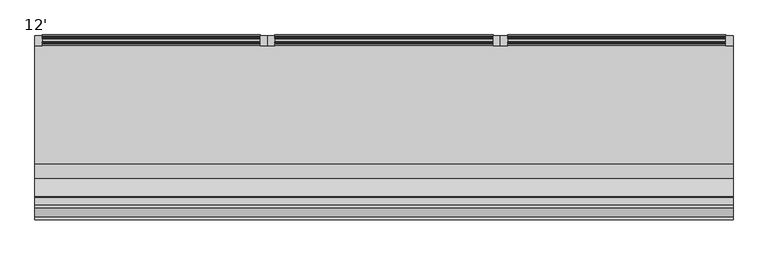
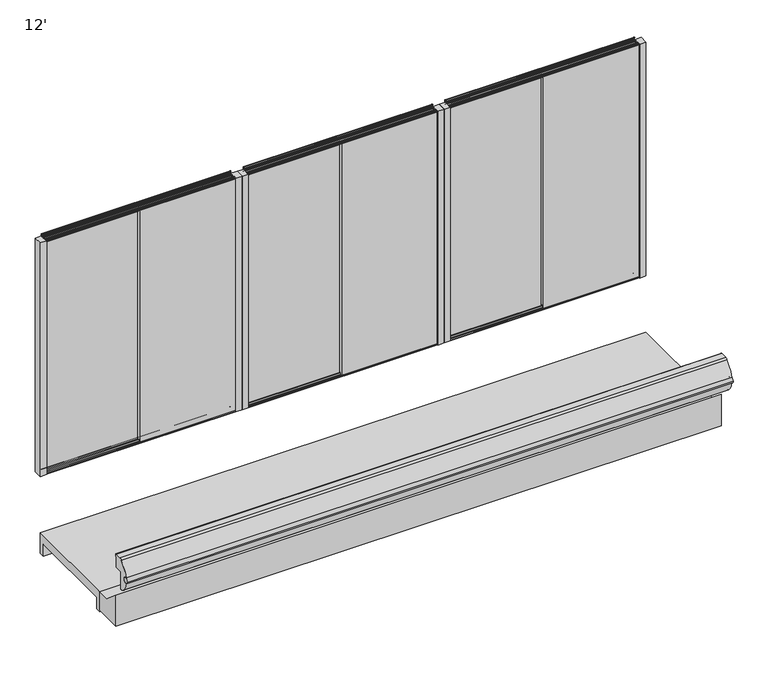
"""IFC4 building model written with IfcOpenShell, lengths in millimetres: proxy geometry, 12'."""

from ifc_helpers import new_model, si_unit, point, frame, frame_2d, origin, place, context, project, spatial, polyline, circle_curve, trimmed, segment, composite_curve, outline, extrude, source, transform, mapped, element, save
from ifc_brep_helpers import plane_surface, revolved_surface, advanced_brep


def proxy_12_fdd9635c(model_context):
    return source(origin(), model_context, "Body", "SolidModel", [
        extrude(outline(polyline([(3619.5, -452.3089273), (3619.5, -401.5089273), (3657.6, -401.5089273), (3657.6, -452.3089273), (3619.5, -452.3089273)])), frame((0.0, 0.0, 488.6213949), z_axis=(0.0, 0.0, 1.0), x_axis=(1.0, 0.0, 0.0)), (0.0, 0.0, 1.0), 1492.2653088),
        extrude(outline(polyline([(-447.3493012, 1974.5213949), (-440.846492, 1974.5213949), (-440.846492, 1961.8213949), (-430.661092, 1961.8213949), (-430.661092, 1974.5213949), (-424.2475921, 1974.5213949), (-424.2475927, 494.9713949), (-430.7504012, 494.9713949), (-430.7504012, 507.6713949), (-440.9358012, 507.6713949), (-440.9358012, 494.9713949), (-447.3493012, 494.9713949), (-447.3493012, 1974.5213949)])), frame((3041.5679589, 0.0, 0.0), z_axis=(1.0, 0.0, 0.0), x_axis=(0.0, 1.0, 0.0)), (0.0, 0.0, 1.0), 577.9320411),
        extrude(outline(composite_curve([segment(polyline([(-431.4353836, 491.7963949), (-431.4353836, 488.6213949), (-432.7565957, 488.6213949), (-433.7975836, 488.6213949), (-433.7975836, 491.7963949), (-436.9725836, 491.7963949), (-436.9725836, 488.6213949), (-438.1770567, 488.6213949), (-439.3347836, 488.6213949), (-439.3347836, 491.7963949), (-444.8973836, 491.7963949), (-444.8973836, 488.6213949), (-450.7393836, 488.6213949), (-450.7393836, 491.7963949)]), True, "CONTINUOUS"), segment(trimmed(circle_curve(frame_2d((-447.5643836, 491.7963949)), 3.175), [point((-450.7393836, 491.7963949))], [point((-447.5643836, 494.9713949))], False, "CARTESIAN"), True, "CONTINUOUS"), segment(polyline([(-447.5643836, 494.9713949), (-440.7571836, 494.9713949)]), True, "CONTINUOUS"), segment(trimmed(circle_curve(frame_2d((-440.7571836, 496.4953949)), 1.524), [point((-440.7571836, 494.9713949))], [point((-439.2331836, 496.4953949))], True, "CARTESIAN"), True, "CONTINUOUS"), segment(polyline([(-439.2331836, 496.4953949), (-439.2331836, 505.2901449), (-432.0957836, 505.2901449), (-432.0957836, 496.4953949)]), True, "CONTINUOUS"), segment(trimmed(circle_curve(frame_2d((-430.5717836, 496.4953949)), 1.524), [point((-432.0957836, 496.4953949))], [point((-430.5717836, 494.9713949))], True, "CARTESIAN"), True, "CONTINUOUS"), segment(polyline([(-430.5717836, 494.9713949), (-417.7447836, 494.9713949)]), True, "CONTINUOUS"), segment(trimmed(circle_curve(frame_2d((-417.7447836, 496.4953949)), 1.524), [point((-417.7447836, 494.9713949))], [point((-416.2207836, 496.4953949))], True, "CARTESIAN"), True, "CONTINUOUS"), segment(polyline([(-416.2207836, 496.4953949), (-416.2207836, 505.2901449), (-409.0849505, 505.2901449), (-409.0849505, 496.4934363)]), True, "CONTINUOUS"), segment(trimmed(circle_curve(frame_2d((-407.5586001, 496.4934363)), 1.5263503), [point((-409.0849505, 496.4934363))], [point((-407.5586001, 494.967086))], True, "CARTESIAN"), True, "CONTINUOUS"), segment(polyline([(-407.5586001, 494.967086), (-400.7184596, 494.967086)]), True, "CONTINUOUS"), segment(trimmed(circle_curve(frame_2d((-400.7184596, 496.5503079)), 1.5832219), [point((-400.7184596, 494.967086))], [point((-399.1352377, 496.5503079))], True, "CARTESIAN"), True, "CONTINUOUS"), segment(polyline([(-399.1352377, 496.5503079), (-399.1352377, 503.2684209)]), True, "CONTINUOUS"), segment(trimmed(circle_curve(frame_2d((-397.5699953, 502.9723942)), 1.5929896), [point((-399.1352377, 503.2684209))], [point((-395.9770057, 502.9723942))], False, "CARTESIAN"), True, "CONTINUOUS"), segment(polyline([(-395.9770057, 502.9723942), (-395.9770057, 479.0963918)]), True, "CONTINUOUS"), segment(trimmed(circle_curve(frame_2d((-399.2302304, 479.0963918)), 3.2532247), [point((-395.9770057, 479.0963918))], [point((-399.9393876, 475.921401))], False, "CARTESIAN"), True, "CONTINUOUS"), segment(polyline([(-399.9393876, 475.921401), (-399.4821836, 478.2835949)]), True, "CONTINUOUS"), segment(trimmed(circle_curve(frame_2d((-399.4383207, 479.382732)), 1.100012), [point((-399.4821836, 478.2835949))], [point((-398.3391836, 479.4265949))], True, "CARTESIAN"), True, "CONTINUOUS"), segment(polyline([(-398.3391836, 479.4265949), (-398.3391836, 487.0465949)]), True, "CONTINUOUS"), segment(trimmed(circle_curve(frame_2d((-399.9139836, 487.0465949)), 1.5748), [point((-398.3391836, 487.0465949))], [point((-399.9139836, 488.6213949))], True, "CARTESIAN"), True, "CONTINUOUS"), segment(polyline([(-399.9139836, 488.6213949), (-404.6129836, 488.6213949), (-408.8801836, 491.7963949), (-408.8801836, 488.6213949), (-411.2423836, 488.6213949), (-411.2423836, 491.7963949), (-414.4173836, 491.7963949), (-414.4173836, 488.6213949), (-416.7795836, 488.6213949), (-416.7795836, 491.7963949), (-431.4353836, 491.7963949)]), True, "CONTINUOUS")], self_intersect=False)), frame((2476.5, 0.0, 0.0), z_axis=(1.0, 0.0, 0.0), x_axis=(0.0, 1.0, 0.0)), (0.0, 0.0, 1.0), 1143.0),
        extrude(outline(polyline([(-424.2475927, 1974.5213949), (-417.7447836, 1974.5213949), (-417.7447836, 1961.8213949), (-407.5593836, 1961.8213949), (-407.5593836, 1974.5213949), (-401.1458837, 1974.5213949), (-401.1458843, 494.9713949), (-407.6486927, 494.9713949), (-407.6486927, 507.6713949), (-417.8340927, 507.6713949), (-417.8340927, 494.9713949), (-424.2475927, 494.9713949), (-424.2475927, 1974.5213949)])), frame((2476.5, 0.0, 0.0), z_axis=(1.0, 0.0, 0.0), x_axis=(0.0, 1.0, 0.0)), (0.0, 0.0, 1.0), 577.377105),
        extrude(outline(composite_curve([segment(polyline([(-431.4353836, 1977.7117037), (-416.7795836, 1977.7117037), (-416.7795836, 1980.8867037), (-414.4173836, 1980.8867037), (-414.4173836, 1977.7117037), (-411.2423836, 1977.7117037), (-411.2423836, 1980.8867037), (-408.8801836, 1980.8867037), (-408.8801836, 1977.7117037), (-404.6129836, 1980.8867037), (-399.9139836, 1980.8867037)]), True, "CONTINUOUS"), segment(trimmed(circle_curve(frame_2d((-399.9139836, 1982.4615037)), 1.5748), [point((-399.9139836, 1980.8867037))], [point((-398.3391836, 1982.4615037))], True, "CARTESIAN"), True, "CONTINUOUS"), segment(polyline([(-398.3391836, 1982.4615037), (-398.3391836, 1990.0815037)]), True, "CONTINUOUS"), segment(trimmed(circle_curve(frame_2d((-399.4383207, 1990.1253666)), 1.100012), [point((-398.3391836, 1990.0815037))], [point((-399.4821836, 1991.2245037))], True, "CARTESIAN"), True, "CONTINUOUS"), segment(polyline([(-399.4821836, 1991.2245037), (-399.9393876, 1993.5866976)]), True, "CONTINUOUS"), segment(trimmed(circle_curve(frame_2d((-399.2302304, 1990.4117068)), 3.2532247), [point((-399.9393876, 1993.5866976))], [point((-395.9770057, 1990.4117068))], False, "CARTESIAN"), True, "CONTINUOUS"), segment(polyline([(-395.9770057, 1990.4117068), (-395.9770057, 1966.5357044)]), True, "CONTINUOUS"), segment(trimmed(circle_curve(frame_2d((-397.5699953, 1966.5357044)), 1.5929896), [point((-395.9770057, 1966.5357044))], [point((-399.1352377, 1966.2396777))], False, "CARTESIAN"), True, "CONTINUOUS"), segment(polyline([(-399.1352377, 1966.2396777), (-399.1352377, 1972.9577907)]), True, "CONTINUOUS"), segment(trimmed(circle_curve(frame_2d((-400.7184596, 1972.9577907)), 1.5832219), [point((-399.1352377, 1972.9577907))], [point((-400.7184596, 1974.5410126))], True, "CARTESIAN"), True, "CONTINUOUS"), segment(polyline([(-400.7184596, 1974.5410126), (-407.5586001, 1974.5410126)]), True, "CONTINUOUS"), segment(trimmed(circle_curve(frame_2d((-407.5586001, 1973.0146623)), 1.5263503), [point((-407.5586001, 1974.5410126))], [point((-409.0849505, 1973.0146623))], True, "CARTESIAN"), True, "CONTINUOUS"), segment(polyline([(-409.0849505, 1973.0146623), (-409.0849505, 1964.2179537), (-416.2207836, 1964.2179537), (-416.2207836, 1973.0127037)]), True, "CONTINUOUS"), segment(trimmed(circle_curve(frame_2d((-417.7447836, 1973.0127037)), 1.524), [point((-416.2207836, 1973.0127037))], [point((-417.7447836, 1974.5367037))], True, "CARTESIAN"), True, "CONTINUOUS"), segment(polyline([(-417.7447836, 1974.5367037), (-430.5717836, 1974.5367037)]), True, "CONTINUOUS"), segment(trimmed(circle_curve(frame_2d((-430.5717836, 1973.0127037)), 1.524), [point((-430.5717836, 1974.5367037))], [point((-432.0957836, 1973.0127037))], True, "CARTESIAN"), True, "CONTINUOUS"), segment(polyline([(-432.0957836, 1973.0127037), (-432.0957836, 1964.2179537), (-439.2331836, 1964.2179537), (-439.2331836, 1973.0127037)]), True, "CONTINUOUS"), segment(trimmed(circle_curve(frame_2d((-440.7571836, 1973.0127037)), 1.524), [point((-439.2331836, 1973.0127037))], [point((-440.7571836, 1974.5367037))], True, "CARTESIAN"), True, "CONTINUOUS"), segment(polyline([(-440.7571836, 1974.5367037), (-447.5643836, 1974.5367037)]), True, "CONTINUOUS"), segment(trimmed(circle_curve(frame_2d((-447.5643836, 1977.7117037)), 3.175), [point((-447.5643836, 1974.5367037))], [point((-450.7393836, 1977.7117037))], False, "CARTESIAN"), True, "CONTINUOUS"), segment(polyline([(-450.7393836, 1977.7117037), (-450.7393836, 1980.8867037), (-444.8973836, 1980.8867037), (-444.8973836, 1977.7117037), (-439.3347836, 1977.7117037), (-439.3347836, 1980.8867037), (-438.1770567, 1980.8867037), (-436.9725836, 1980.8867037), (-436.9725836, 1977.7117037), (-433.7975836, 1977.7117037), (-433.7975836, 1980.8867037), (-432.7565957, 1980.8867037), (-431.4353836, 1980.8867037), (-431.4353836, 1977.7117037)]), True, "CONTINUOUS")], self_intersect=False)), frame((2476.5, 0.0, 0.0), z_axis=(1.0, 0.0, 0.0), x_axis=(0.0, 1.0, 0.0)), (0.0, 0.0, 1.0), 1143.0),
        extrude(outline(polyline([(2476.5, -401.5089273), (2476.5, -452.3089273), (2438.4, -452.3089273), (2438.4, -401.5089273), (2476.5, -401.5089273)])), frame((0.0, 0.0, 488.6213949), z_axis=(0.0, 0.0, 1.0), x_axis=(1.0, 0.0, 0.0)), (0.0, 0.0, 1.0), 1492.2653088),
        extrude(outline(polyline([(2400.3, -452.3089273), (2400.3, -401.5089273), (2438.4, -401.5089273), (2438.4, -452.3089273), (2400.3, -452.3089273)])), frame((0.0, 0.0, 487.6241255), z_axis=(0.0, 0.0, 1.0), x_axis=(1.0, 0.0, 0.0)), (0.0, 0.0, 1.0), 1492.2653088),
        extrude(outline(polyline([(-447.3493012, 1973.5241255), (-440.846492, 1973.5241255), (-440.846492, 1960.8241255), (-430.661092, 1960.8241255), (-430.661092, 1973.5241255), (-424.2475921, 1973.5241255), (-424.2475927, 493.9741255), (-430.7504012, 493.9741255), (-430.7504012, 506.6741255), (-440.9358012, 506.6741255), (-440.9358012, 493.9741255), (-447.3493012, 493.9741255), (-447.3493012, 1973.5241255)])), frame((1822.3679589, 0.0, 0.0), z_axis=(1.0, 0.0, 0.0), x_axis=(0.0, 1.0, 0.0)), (0.0, 0.0, 1.0), 577.9320411),
        extrude(outline(composite_curve([segment(polyline([(-431.4353836, 490.7991255), (-431.4353836, 487.6241255), (-432.7565957, 487.6241255), (-433.7975836, 487.6241255), (-433.7975836, 490.7991255), (-436.9725836, 490.7991255), (-436.9725836, 487.6241255), (-438.1770567, 487.6241255), (-439.3347836, 487.6241255), (-439.3347836, 490.7991255), (-444.8973836, 490.7991255), (-444.8973836, 487.6241255), (-450.7393836, 487.6241255), (-450.7393836, 490.7991255)]), True, "CONTINUOUS"), segment(trimmed(circle_curve(frame_2d((-447.5643836, 490.7991255)), 3.175), [point((-450.7393836, 490.7991255))], [point((-447.5643836, 493.9741255))], False, "CARTESIAN"), True, "CONTINUOUS"), segment(polyline([(-447.5643836, 493.9741255), (-440.7571836, 493.9741255)]), True, "CONTINUOUS"), segment(trimmed(circle_curve(frame_2d((-440.7571836, 495.4981255)), 1.524), [point((-440.7571836, 493.9741255))], [point((-439.2331836, 495.4981255))], True, "CARTESIAN"), True, "CONTINUOUS"), segment(polyline([(-439.2331836, 495.4981255), (-439.2331836, 504.2928755), (-432.0957836, 504.2928755), (-432.0957836, 495.4981255)]), True, "CONTINUOUS"), segment(trimmed(circle_curve(frame_2d((-430.5717836, 495.4981255)), 1.524), [point((-432.0957836, 495.4981255))], [point((-430.5717836, 493.9741255))], True, "CARTESIAN"), True, "CONTINUOUS"), segment(polyline([(-430.5717836, 493.9741255), (-417.7447836, 493.9741255)]), True, "CONTINUOUS"), segment(trimmed(circle_curve(frame_2d((-417.7447836, 495.4981255)), 1.524), [point((-417.7447836, 493.9741255))], [point((-416.2207836, 495.4981255))], True, "CARTESIAN"), True, "CONTINUOUS"), segment(polyline([(-416.2207836, 495.4981255), (-416.2207836, 504.2928755), (-409.0849505, 504.2928755), (-409.0849505, 495.4961669)]), True, "CONTINUOUS"), segment(trimmed(circle_curve(frame_2d((-407.5586001, 495.4961669)), 1.5263503), [point((-409.0849505, 495.4961669))], [point((-407.5586001, 493.9698166))], True, "CARTESIAN"), True, "CONTINUOUS"), segment(polyline([(-407.5586001, 493.9698166), (-400.7184596, 493.9698166)]), True, "CONTINUOUS"), segment(trimmed(circle_curve(frame_2d((-400.7184596, 495.5530385)), 1.5832219), [point((-400.7184596, 493.9698166))], [point((-399.1352377, 495.5530385))], True, "CARTESIAN"), True, "CONTINUOUS"), segment(polyline([(-399.1352377, 495.5530385), (-399.1352377, 502.2711515)]), True, "CONTINUOUS"), segment(trimmed(circle_curve(frame_2d((-397.5699953, 501.9751248)), 1.5929896), [point((-399.1352377, 502.2711515))], [point((-395.9770057, 501.9751248))], False, "CARTESIAN"), True, "CONTINUOUS"), segment(polyline([(-395.9770057, 501.9751248), (-395.9770057, 478.0991225)]), True, "CONTINUOUS"), segment(trimmed(circle_curve(frame_2d((-399.2302304, 478.0991225)), 3.2532247), [point((-395.9770057, 478.0991225))], [point((-399.9393876, 474.9241316))], False, "CARTESIAN"), True, "CONTINUOUS"), segment(polyline([(-399.9393876, 474.9241316), (-399.4821836, 477.2863255)]), True, "CONTINUOUS"), segment(trimmed(circle_curve(frame_2d((-399.4383207, 478.3854626)), 1.100012), [point((-399.4821836, 477.2863255))], [point((-398.3391836, 478.4293255))], True, "CARTESIAN"), True, "CONTINUOUS"), segment(polyline([(-398.3391836, 478.4293255), (-398.3391836, 486.0493255)]), True, "CONTINUOUS"), segment(trimmed(circle_curve(frame_2d((-399.9139836, 486.0493255)), 1.5748), [point((-398.3391836, 486.0493255))], [point((-399.9139836, 487.6241255))], True, "CARTESIAN"), True, "CONTINUOUS"), segment(polyline([(-399.9139836, 487.6241255), (-404.6129836, 487.6241255), (-408.8801836, 490.7991255), (-408.8801836, 487.6241255), (-411.2423836, 487.6241255), (-411.2423836, 490.7991255), (-414.4173836, 490.7991255), (-414.4173836, 487.6241255), (-416.7795836, 487.6241255), (-416.7795836, 490.7991255), (-431.4353836, 490.7991255)]), True, "CONTINUOUS")], self_intersect=False)), frame((1257.3, 0.0, 0.0), z_axis=(1.0, 0.0, 0.0), x_axis=(0.0, 1.0, 0.0)), (0.0, 0.0, 1.0), 1143.0),
        extrude(outline(polyline([(-424.2475927, 1973.5241255), (-417.7447836, 1973.5241255), (-417.7447836, 1960.8241255), (-407.5593836, 1960.8241255), (-407.5593836, 1973.5241255), (-401.1458837, 1973.5241255), (-401.1458843, 493.9741255), (-407.6486927, 493.9741255), (-407.6486927, 506.6741255), (-417.8340927, 506.6741255), (-417.8340927, 493.9741255), (-424.2475927, 493.9741255), (-424.2475927, 1973.5241255)])), frame((1257.3, 0.0, 0.0), z_axis=(1.0, 0.0, 0.0), x_axis=(0.0, 1.0, 0.0)), (0.0, 0.0, 1.0), 577.377105),
        extrude(outline(composite_curve([segment(polyline([(-431.4353836, 1976.7144343), (-416.7795836, 1976.7144343), (-416.7795836, 1979.8894344), (-414.4173836, 1979.8894344), (-414.4173836, 1976.7144344), (-411.2423836, 1976.7144344), (-411.2423836, 1979.8894344), (-408.8801836, 1979.8894344), (-408.8801836, 1976.7144344), (-404.6129836, 1979.8894343), (-399.9139836, 1979.8894343)]), True, "CONTINUOUS"), segment(trimmed(circle_curve(frame_2d((-399.9139836, 1981.4642343)), 1.5748), [point((-399.9139836, 1979.8894343))], [point((-398.3391836, 1981.4642343))], True, "CARTESIAN"), True, "CONTINUOUS"), segment(polyline([(-398.3391836, 1981.4642343), (-398.3391836, 1989.0842344)]), True, "CONTINUOUS"), segment(trimmed(circle_curve(frame_2d((-399.4383207, 1989.1280973)), 1.100012), [point((-398.3391836, 1989.0842344))], [point((-399.4821836, 1990.2272343))], True, "CARTESIAN"), True, "CONTINUOUS"), segment(polyline([(-399.4821836, 1990.2272343), (-399.9393876, 1992.5894283)]), True, "CONTINUOUS"), segment(trimmed(circle_curve(frame_2d((-399.2302304, 1989.4144374)), 3.2532247), [point((-399.9393876, 1992.5894283))], [point((-395.9770057, 1989.4144374))], False, "CARTESIAN"), True, "CONTINUOUS"), segment(polyline([(-395.9770057, 1989.4144374), (-395.9770057, 1965.538435)]), True, "CONTINUOUS"), segment(trimmed(circle_curve(frame_2d((-397.5699953, 1965.538435)), 1.5929896), [point((-395.9770057, 1965.538435))], [point((-399.1352377, 1965.2424083))], False, "CARTESIAN"), True, "CONTINUOUS"), segment(polyline([(-399.1352377, 1965.2424083), (-399.1352377, 1971.9605214)]), True, "CONTINUOUS"), segment(trimmed(circle_curve(frame_2d((-400.7184596, 1971.9605214)), 1.5832219), [point((-399.1352377, 1971.9605214))], [point((-400.7184596, 1973.5437433))], True, "CARTESIAN"), True, "CONTINUOUS"), segment(polyline([(-400.7184596, 1973.5437433), (-407.5586001, 1973.5437433)]), True, "CONTINUOUS"), segment(trimmed(circle_curve(frame_2d((-407.5586001, 1972.0173929)), 1.5263503), [point((-407.5586001, 1973.5437433))], [point((-409.0849505, 1972.0173929))], True, "CARTESIAN"), True, "CONTINUOUS"), segment(polyline([(-409.0849505, 1972.0173929), (-409.0849505, 1963.2206844), (-416.2207836, 1963.2206844), (-416.2207836, 1972.0154344)]), True, "CONTINUOUS"), segment(trimmed(circle_curve(frame_2d((-417.7447836, 1972.0154344)), 1.524), [point((-416.2207836, 1972.0154344))], [point((-417.7447836, 1973.5394344))], True, "CARTESIAN"), True, "CONTINUOUS"), segment(polyline([(-417.7447836, 1973.5394344), (-430.5717836, 1973.5394344)]), True, "CONTINUOUS"), segment(trimmed(circle_curve(frame_2d((-430.5717836, 1972.0154344)), 1.524), [point((-430.5717836, 1973.5394344))], [point((-432.0957836, 1972.0154344))], True, "CARTESIAN"), True, "CONTINUOUS"), segment(polyline([(-432.0957836, 1972.0154344), (-432.0957836, 1963.2206844), (-439.2331836, 1963.2206844), (-439.2331836, 1972.0154344)]), True, "CONTINUOUS"), segment(trimmed(circle_curve(frame_2d((-440.7571836, 1972.0154344)), 1.524), [point((-439.2331836, 1972.0154344))], [point((-440.7571836, 1973.5394344))], True, "CARTESIAN"), True, "CONTINUOUS"), segment(polyline([(-440.7571836, 1973.5394344), (-447.5643836, 1973.5394344)]), True, "CONTINUOUS"), segment(trimmed(circle_curve(frame_2d((-447.5643836, 1976.7144344)), 3.175), [point((-447.5643836, 1973.5394344))], [point((-450.7393836, 1976.7144344))], False, "CARTESIAN"), True, "CONTINUOUS"), segment(polyline([(-450.7393836, 1976.7144344), (-450.7393836, 1979.8894344), (-444.8973836, 1979.8894344), (-444.8973836, 1976.7144344), (-439.3347836, 1976.7144344), (-439.3347836, 1979.8894344), (-438.1770567, 1979.8894344), (-436.9725836, 1979.8894344), (-436.9725836, 1976.7144344), (-433.7975836, 1976.7144344), (-433.7975836, 1979.8894344), (-432.7565957, 1979.8894344), (-431.4353836, 1979.8894344), (-431.4353836, 1976.7144343)]), True, "CONTINUOUS")], self_intersect=False)), frame((1257.3, 0.0, 0.0), z_axis=(1.0, 0.0, 0.0), x_axis=(0.0, 1.0, 0.0)), (0.0, 0.0, 1.0), 1143.0),
        extrude(outline(polyline([(1257.3, -401.5089273), (1257.3, -452.3089273), (1219.2, -452.3089273), (1219.2, -401.5089273), (1257.3, -401.5089273)])), frame((0.0, 0.0, 487.6241255), z_axis=(0.0, 0.0, 1.0), x_axis=(1.0, 0.0, 0.0)), (0.0, 0.0, 1.0), 1492.2653088),
        extrude(outline(polyline([(1181.1, -452.3089273), (1181.1, -401.5089273), (1219.2, -401.5089273), (1219.2, -452.3089273), (1181.1, -452.3089273)])), frame((0.0, 0.0, 488.1227602), z_axis=(0.0, 0.0, 1.0), x_axis=(1.0, 0.0, 0.0)), (0.0, 0.0, 1.0), 1492.2653088),
        extrude(outline(polyline([(-447.3493012, 1974.0227602), (-440.846492, 1974.0227602), (-440.846492, 1961.3227602), (-430.661092, 1961.3227602), (-430.661092, 1974.0227602), (-424.2475921, 1974.0227602), (-424.2475927, 494.4727602), (-430.7504012, 494.4727602), (-430.7504012, 507.1727602), (-440.9358012, 507.1727602), (-440.9358012, 494.4727602), (-447.3493012, 494.4727602), (-447.3493012, 1974.0227602)])), frame((603.1679589, 0.0, 0.0), z_axis=(1.0, 0.0, 0.0), x_axis=(0.0, 1.0, 0.0)), (0.0, 0.0, 1.0), 577.9320411),
        extrude(outline(composite_curve([segment(polyline([(-431.4353836, 491.2977602), (-431.4353836, 488.1227602), (-432.7565957, 488.1227602), (-433.7975836, 488.1227602), (-433.7975836, 491.2977602), (-436.9725836, 491.2977602), (-436.9725836, 488.1227602), (-438.1770567, 488.1227602), (-439.3347836, 488.1227602), (-439.3347836, 491.2977602), (-444.8973836, 491.2977602), (-444.8973836, 488.1227602), (-450.7393836, 488.1227602), (-450.7393836, 491.2977602)]), True, "CONTINUOUS"), segment(trimmed(circle_curve(frame_2d((-447.5643836, 491.2977602)), 3.175), [point((-450.7393836, 491.2977602))], [point((-447.5643836, 494.4727602))], False, "CARTESIAN"), True, "CONTINUOUS"), segment(polyline([(-447.5643836, 494.4727602), (-440.7571836, 494.4727602)]), True, "CONTINUOUS"), segment(trimmed(circle_curve(frame_2d((-440.7571836, 495.9967602)), 1.524), [point((-440.7571836, 494.4727602))], [point((-439.2331836, 495.9967602))], True, "CARTESIAN"), True, "CONTINUOUS"), segment(polyline([(-439.2331836, 495.9967602), (-439.2331836, 504.7915102), (-432.0957836, 504.7915102), (-432.0957836, 495.9967602)]), True, "CONTINUOUS"), segment(trimmed(circle_curve(frame_2d((-430.5717836, 495.9967602)), 1.524), [point((-432.0957836, 495.9967602))], [point((-430.5717836, 494.4727602))], True, "CARTESIAN"), True, "CONTINUOUS"), segment(polyline([(-430.5717836, 494.4727602), (-417.7447836, 494.4727602)]), True, "CONTINUOUS"), segment(trimmed(circle_curve(frame_2d((-417.7447836, 495.9967602)), 1.524), [point((-417.7447836, 494.4727602))], [point((-416.2207836, 495.9967602))], True, "CARTESIAN"), True, "CONTINUOUS"), segment(polyline([(-416.2207836, 495.9967602), (-416.2207836, 504.7915102), (-409.0849505, 504.7915102), (-409.0849505, 495.9948016)]), True, "CONTINUOUS"), segment(trimmed(circle_curve(frame_2d((-407.5586001, 495.9948016)), 1.5263503), [point((-409.0849505, 495.9948016))], [point((-407.5586001, 494.4684513))], True, "CARTESIAN"), True, "CONTINUOUS"), segment(polyline([(-407.5586001, 494.4684513), (-400.7184596, 494.4684513)]), True, "CONTINUOUS"), segment(trimmed(circle_curve(frame_2d((-400.7184596, 496.0516732)), 1.5832219), [point((-400.7184596, 494.4684513))], [point((-399.1352377, 496.0516732))], True, "CARTESIAN"), True, "CONTINUOUS"), segment(polyline([(-399.1352377, 496.0516732), (-399.1352377, 502.7697862)]), True, "CONTINUOUS"), segment(trimmed(circle_curve(frame_2d((-397.5699953, 502.4737595)), 1.5929896), [point((-399.1352377, 502.7697862))], [point((-395.9770057, 502.4737595))], False, "CARTESIAN"), True, "CONTINUOUS"), segment(polyline([(-395.9770057, 502.4737595), (-395.9770057, 478.5977571)]), True, "CONTINUOUS"), segment(trimmed(circle_curve(frame_2d((-399.2302304, 478.5977571)), 3.2532247), [point((-395.9770057, 478.5977571))], [point((-399.9393876, 475.4227663))], False, "CARTESIAN"), True, "CONTINUOUS"), segment(polyline([(-399.9393876, 475.4227663), (-399.4821836, 477.7849602)]), True, "CONTINUOUS"), segment(trimmed(circle_curve(frame_2d((-399.4383207, 478.8840973)), 1.100012), [point((-399.4821836, 477.7849602))], [point((-398.3391836, 478.9279602))], True, "CARTESIAN"), True, "CONTINUOUS"), segment(polyline([(-398.3391836, 478.9279602), (-398.3391836, 486.5479602)]), True, "CONTINUOUS"), segment(trimmed(circle_curve(frame_2d((-399.9139836, 486.5479602)), 1.5748), [point((-398.3391836, 486.5479602))], [point((-399.9139836, 488.1227602))], True, "CARTESIAN"), True, "CONTINUOUS"), segment(polyline([(-399.9139836, 488.1227602), (-404.6129836, 488.1227602), (-408.8801836, 491.2977602), (-408.8801836, 488.1227602), (-411.2423836, 488.1227602), (-411.2423836, 491.2977602), (-414.4173836, 491.2977602), (-414.4173836, 488.1227602), (-416.7795836, 488.1227602), (-416.7795836, 491.2977602), (-431.4353836, 491.2977602)]), True, "CONTINUOUS")], self_intersect=False)), frame((38.1, 0.0, 0.0), z_axis=(1.0, 0.0, 0.0), x_axis=(0.0, 1.0, 0.0)), (0.0, 0.0, 1.0), 1143.0),
        extrude(outline(polyline([(-424.2475927, 1974.0227602), (-417.7447836, 1974.0227602), (-417.7447836, 1961.3227602), (-407.5593836, 1961.3227602), (-407.5593836, 1974.0227602), (-401.1458837, 1974.0227602), (-401.1458843, 494.4727602), (-407.6486927, 494.4727602), (-407.6486927, 507.1727602), (-417.8340927, 507.1727602), (-417.8340927, 494.4727602), (-424.2475927, 494.4727602), (-424.2475927, 1974.0227602)])), frame((38.1, 0.0, 0.0), z_axis=(1.0, 0.0, 0.0), x_axis=(0.0, 1.0, 0.0)), (0.0, 0.0, 1.0), 577.377105),
        extrude(outline(composite_curve([segment(polyline([(-431.4353836, 1977.213069), (-416.7795836, 1977.213069), (-416.7795836, 1980.388069), (-414.4173836, 1980.388069), (-414.4173836, 1977.213069), (-411.2423836, 1977.213069), (-411.2423836, 1980.388069), (-408.8801836, 1980.388069), (-408.8801836, 1977.213069), (-404.6129836, 1980.388069), (-399.9139836, 1980.388069)]), True, "CONTINUOUS"), segment(trimmed(circle_curve(frame_2d((-399.9139836, 1981.962869)), 1.5748), [point((-399.9139836, 1980.388069))], [point((-398.3391836, 1981.962869))], True, "CARTESIAN"), True, "CONTINUOUS"), segment(polyline([(-398.3391836, 1981.962869), (-398.3391836, 1989.582869)]), True, "CONTINUOUS"), segment(trimmed(circle_curve(frame_2d((-399.4383207, 1989.6267319)), 1.100012), [point((-398.3391836, 1989.582869))], [point((-399.4821836, 1990.725869))], True, "CARTESIAN"), True, "CONTINUOUS"), segment(polyline([(-399.4821836, 1990.725869), (-399.9393876, 1993.0880629)]), True, "CONTINUOUS"), segment(trimmed(circle_curve(frame_2d((-399.2302304, 1989.9130721)), 3.2532247), [point((-399.9393876, 1993.0880629))], [point((-395.9770057, 1989.9130721))], False, "CARTESIAN"), True, "CONTINUOUS"), segment(polyline([(-395.9770057, 1989.9130721), (-395.9770057, 1966.0370697)]), True, "CONTINUOUS"), segment(trimmed(circle_curve(frame_2d((-397.5699953, 1966.0370697)), 1.5929896), [point((-395.9770057, 1966.0370697))], [point((-399.1352377, 1965.741043))], False, "CARTESIAN"), True, "CONTINUOUS"), segment(polyline([(-399.1352377, 1965.741043), (-399.1352377, 1972.459156)]), True, "CONTINUOUS"), segment(trimmed(circle_curve(frame_2d((-400.7184596, 1972.459156)), 1.5832219), [point((-399.1352377, 1972.459156))], [point((-400.7184596, 1974.0423779))], True, "CARTESIAN"), True, "CONTINUOUS"), segment(polyline([(-400.7184596, 1974.0423779), (-407.5586001, 1974.0423779)]), True, "CONTINUOUS"), segment(trimmed(circle_curve(frame_2d((-407.5586001, 1972.5160276)), 1.5263503), [point((-407.5586001, 1974.0423779))], [point((-409.0849505, 1972.5160276))], True, "CARTESIAN"), True, "CONTINUOUS"), segment(polyline([(-409.0849505, 1972.5160276), (-409.0849505, 1963.719319), (-416.2207836, 1963.719319), (-416.2207836, 1972.5140691)]), True, "CONTINUOUS"), segment(trimmed(circle_curve(frame_2d((-417.7447836, 1972.5140691)), 1.524), [point((-416.2207836, 1972.5140691))], [point((-417.7447836, 1974.0380691))], True, "CARTESIAN"), True, "CONTINUOUS"), segment(polyline([(-417.7447836, 1974.0380691), (-430.5717836, 1974.0380691)]), True, "CONTINUOUS"), segment(trimmed(circle_curve(frame_2d((-430.5717836, 1972.5140691)), 1.524), [point((-430.5717836, 1974.0380691))], [point((-432.0957836, 1972.5140691))], True, "CARTESIAN"), True, "CONTINUOUS"), segment(polyline([(-432.0957836, 1972.5140691), (-432.0957836, 1963.719319), (-439.2331836, 1963.719319), (-439.2331836, 1972.514069)]), True, "CONTINUOUS"), segment(trimmed(circle_curve(frame_2d((-440.7571836, 1972.514069)), 1.524), [point((-439.2331836, 1972.514069))], [point((-440.7571836, 1974.038069))], True, "CARTESIAN"), True, "CONTINUOUS"), segment(polyline([(-440.7571836, 1974.038069), (-447.5643836, 1974.038069)]), True, "CONTINUOUS"), segment(trimmed(circle_curve(frame_2d((-447.5643836, 1977.213069)), 3.175), [point((-447.5643836, 1974.038069))], [point((-450.7393836, 1977.213069))], False, "CARTESIAN"), True, "CONTINUOUS"), segment(polyline([(-450.7393836, 1977.213069), (-450.7393836, 1980.388069), (-444.8973836, 1980.388069), (-444.8973836, 1977.213069), (-439.3347836, 1977.213069), (-439.3347836, 1980.388069), (-438.1770567, 1980.388069), (-436.9725836, 1980.388069), (-436.9725836, 1977.213069), (-433.7975836, 1977.213069), (-433.7975836, 1980.388069), (-432.7565957, 1980.388069), (-431.4353836, 1980.388069), (-431.4353836, 1977.213069)]), True, "CONTINUOUS")], self_intersect=False)), frame((38.1, 0.0, 0.0), z_axis=(1.0, 0.0, 0.0), x_axis=(0.0, 1.0, 0.0)), (0.0, 0.0, 1.0), 1143.0),
        extrude(outline(polyline([(38.1, -401.5089273), (38.1, -452.3089273), (0.0, -452.3089273), (0.0, -401.5089273), (38.1, -401.5089273)])), frame((0.0, 0.0, 488.1227602), z_axis=(0.0, 0.0, 1.0), x_axis=(1.0, 0.0, 0.0)), (0.0, 0.0, 1.0), 1492.2653088),
        extrude(outline(composite_curve([segment(trimmed(circle_curve(frame_2d((630.2375, -1111.4211473)), 14.2875), [point((615.95, -1111.4211473))], [point((644.525, -1111.4211473))], False, "CARTESIAN"), True, "CONTINUOUS"), segment(trimmed(circle_curve(frame_2d((630.2375, -1111.4211473)), 14.2875), [point((644.525, -1111.4211473))], [point((615.95, -1111.4211473))], False, "CARTESIAN"), True, "CONTINUOUS")], self_intersect=False)), frame((0.0, 0.0, 95.25), z_axis=(0.0, 0.0, 1.0), x_axis=(1.0, 0.0, 0.0)), (0.0, 0.0, 1.0), 6.35),
        extrude(outline(composite_curve([segment(trimmed(circle_curve(frame_2d((681.0375, -1111.4211473)), 14.2875), [point((666.75, -1111.4211473))], [point((695.325, -1111.4211473))], False, "CARTESIAN"), True, "CONTINUOUS"), segment(trimmed(circle_curve(frame_2d((681.0375, -1111.4211473)), 14.2875), [point((695.325, -1111.4211473))], [point((666.75, -1111.4211473))], False, "CARTESIAN"), True, "CONTINUOUS")], self_intersect=False)), frame((0.0, 0.0, 95.25), z_axis=(0.0, 0.0, 1.0), x_axis=(1.0, 0.0, 0.0)), (0.0, 0.0, 1.0), 6.35),
        extrude(outline(polyline([(176.2125, -1111.4211473), (712.7875, -1111.4211473), (712.7875, -1174.1273973), (176.2125, -1174.1273973), (176.2125, -1111.4211473)])), frame((0.0, 0.0, 95.25), z_axis=(0.0, 0.0, 1.0), x_axis=(1.0, 0.0, 0.0)), (0.0, 0.0, 1.0), 6.35),
        advanced_brep(
        [(3657.6, -1073.0214273, 12.2013653), (3657.6, -1073.0214273, 130.175), (3657.6, -1146.2570324, 130.175), (3657.6, -1243.1039054, 211.4391755), (3657.6, -1243.1039054, 12.2013653), (0.0, -1073.0214273, 12.2013653), (0.0, -1243.1039054, 12.2013653), (0.0, -1243.1039054, 211.4391755), (0.0, -1146.2570324, 130.175), (0.0, -1073.0214273, 130.175), (1778.0, -1128.5839273, 12.2013653), (1879.6, -1128.5839273, 12.2013653), (712.7875, -1174.1273973, 12.2013653), (712.7875, -1111.4211473, 12.2013653), (176.2125, -1111.4211473, 12.2013653), (176.2125, -1174.1273973, 12.2013653), (1778.0, -1128.5839273, 101.6), (1879.6, -1128.5839273, 101.6), (712.7875, -1174.1273973, 101.6), (176.2125, -1174.1273973, 101.6), (176.2125, -1111.4211473, 101.6), (712.7875, -1111.4211473, 101.6)],
        [
            (0, 1),
            (1, 2),
            (2, 3),
            (3, 4),
            (4, 0),
            (5, 6),
            (6, 7),
            (7, 8),
            (8, 9),
            (9, 5),
            (0, 5),
            (9, 1),
            (8, 2),
            (3, 7),
            (6, 4),
            (10, 11, circle_curve(frame((1828.8, -1128.5839273, 12.2013653), z_axis=(0.0, 0.0, 1.0), x_axis=(1.0, 0.0, 0.0)), 50.8)),
            (11, 10, circle_curve(frame((1828.8, -1128.5839273, 12.2013653), z_axis=(0.0, 0.0, 1.0), x_axis=(1.0, 0.0, 0.0)), 50.8)),
            (12, 13),
            (13, 14),
            (14, 15),
            (15, 12),
            (16, 17, circle_curve(frame((1828.8, -1128.5839273, 101.6), z_axis=(0.0, 0.0, -1.0), x_axis=(1.0, 0.0, 0.0)), 50.8)),
            (17, 16, circle_curve(frame((1828.8, -1128.5839273, 101.6), z_axis=(0.0, 0.0, -1.0), x_axis=(1.0, 0.0, 0.0)), 50.8)),
            (17, 11),
            (10, 16),
            (18, 19),
            (19, 20),
            (20, 21),
            (21, 18),
            (21, 13),
            (12, 18),
            (20, 14),
            (19, 15),
        ],
        [
            plane_surface(frame((3657.6, -1073.0214273, 12.2013653), z_axis=(1.0, 0.0, 0.0), x_axis=(0.0, 0.0, 1.0))),
            plane_surface(frame((0.0, -1073.0214273, 12.2013653), z_axis=(-1.0, 0.0, 0.0), x_axis=(0.0, 0.0, -1.0))),
            plane_surface(frame((3657.6, -1073.0214273, 12.2013653), z_axis=(0.0, 1.0, 0.0), x_axis=(-1.0, 0.0, 0.0))),
            plane_surface(frame((3657.6, -1073.0214273, 130.175), z_axis=(0.0, 0.0, 1.0), x_axis=(-1.0, 0.0, 0.0))),
            plane_surface(frame((3657.6, -1243.1039054, 211.4391755), z_axis=(0.0, -1.0, 0.0), x_axis=(-1.0, 0.0, 0.0))),
            plane_surface(frame((3657.6, -1243.1039054, 12.2013653), z_axis=(0.0, 0.0, -1.0), x_axis=(-1.0, 0.0, 0.0))),
            plane_surface(frame((3657.6, -1146.2570324, 130.175), z_axis=(0.0, 0.6427876096870818, 0.7660444431185228), x_axis=(-1.0, 0.0, 0.0))),
            plane_surface(frame((1879.6, -1128.5839273, 101.6), z_axis=(0.0, 0.0, -1.0), x_axis=(0.0, 1.0, 0.0))),
            revolved_surface(polyline([(1879.6, -1128.5839273, 101.6), (1879.6, -1128.5839273, 12.2013653)]), (1828.8, -1128.5839273, 0.0), (0.0, 0.0, 1.0)),
            plane_surface(frame((712.7875, -1174.1273973, 101.6), z_axis=(0.0, 0.0, -1.0), x_axis=(0.0, 1.0, 0.0))),
            plane_surface(frame((712.7875, -1174.1273973, 101.6), z_axis=(-1.0, 0.0, 0.0), x_axis=(0.0, 0.0, -1.0))),
            plane_surface(frame((712.7875, -1111.4211473, 101.6), z_axis=(0.0, -1.0, 0.0), x_axis=(0.0, 0.0, -1.0))),
            plane_surface(frame((176.2125, -1111.4211473, 101.6), z_axis=(1.0, 0.0, 0.0), x_axis=(0.0, 0.0, -1.0))),
            plane_surface(frame((176.2125, -1174.1273973, 101.6), z_axis=(0.0, 1.0, 0.0), x_axis=(0.0, 0.0, -1.0))),
        ],
        [
            (0, [[1, 2, 3, 4, 5]]),
            (1, [[6, 7, 8, 9, 10]]),
            (2, [[-1, 11, -10, 12]]),
            (3, [[-2, -12, -9, 13]]),
            (4, [[-4, 14, -7, 15]]),
            (5, [[-5, -15, -6, -11], [16, 17], [18, 19, 20, 21]]),
            (6, [[-3, -13, -8, -14]]),
            (7, [[22, 23]]),
            (8, [[-23, 24, -16, 25]]),
            (8, [[-22, -25, -17, -24]]),
            (9, [[26, 27, 28, 29]]),
            (10, [[-29, 30, -18, 31]]),
            (11, [[-28, 32, -19, -30]]),
            (12, [[-27, 33, -20, -32]]),
            (13, [[-26, -31, -21, -33]]),
        ],
    ),
        advanced_brep(
        [(3657.6, -452.3089273, 130.175), (3657.6, -1073.0214273, 130.175), (3657.6, -1073.0214273, 0.0), (3657.6, -1041.2714273, 0.0), (3657.6, -1041.2714273, 75.5338366), (3657.6, -484.0589273, 75.5338366), (3657.6, -484.0589273, 0.0), (3657.6, -452.3089273, 0.0), (0.0, -452.3089273, 130.175), (0.0, -452.3089273, 0.0), (0.0, -484.0589273, 0.0), (0.0, -484.0589273, 75.5338366), (0.0, -1041.2714273, 75.5338366), (0.0, -1041.2714273, 0.0), (0.0, -1073.0214273, 0.0), (0.0, -1073.0214273, 130.175), (3386.1375, -974.5964273, 75.5338366), (3487.7375, -974.5964273, 75.5338366), (3386.1375, -974.5964273, 101.6), (3487.7375, -974.5964273, 101.6)],
        [
            (0, 1),
            (1, 2),
            (2, 3),
            (3, 4),
            (4, 5),
            (5, 6),
            (6, 7),
            (7, 0),
            (8, 9),
            (9, 10),
            (10, 11),
            (11, 12),
            (12, 13),
            (13, 14),
            (14, 15),
            (15, 8),
            (0, 8),
            (15, 1),
            (14, 2),
            (13, 3),
            (12, 4),
            (11, 5),
            (16, 17, circle_curve(frame((3436.9375, -974.5964273, 75.5338366), z_axis=(0.0, 0.0, 1.0), x_axis=(1.0, 0.0, 0.0)), 50.8)),
            (17, 16, circle_curve(frame((3436.9375, -974.5964273, 75.5338366), z_axis=(0.0, 0.0, 1.0), x_axis=(1.0, 0.0, 0.0)), 50.8)),
            (10, 6),
            (9, 7),
            (18, 19, circle_curve(frame((3436.9375, -974.5964273, 101.6), z_axis=(0.0, 0.0, -1.0), x_axis=(1.0, 0.0, 0.0)), 50.8)),
            (19, 18, circle_curve(frame((3436.9375, -974.5964273, 101.6), z_axis=(0.0, 0.0, -1.0), x_axis=(1.0, 0.0, 0.0)), 50.8)),
            (19, 17),
            (16, 18),
        ],
        [
            plane_surface(frame((3657.6, -452.3089273, 130.175), z_axis=(1.0, 0.0, 0.0), x_axis=(0.0, -1.0, 0.0))),
            plane_surface(frame((0.0, -452.3089273, 130.175), z_axis=(-1.0, 0.0, 0.0), x_axis=(0.0, 1.0, 0.0))),
            plane_surface(frame((3657.6, -452.3089273, 130.175), z_axis=(0.0, 0.0, 1.0), x_axis=(-1.0, 0.0, 0.0))),
            plane_surface(frame((3657.6, -1073.0214273, 130.175), z_axis=(0.0, -1.0, 0.0), x_axis=(-1.0, 0.0, 0.0))),
            plane_surface(frame((3657.6, -1073.0214273, 0.0), z_axis=(0.0, 0.0, -1.0), x_axis=(-1.0, 0.0, 0.0))),
            plane_surface(frame((3657.6, -1041.2714273, 0.0), z_axis=(0.0, 1.0, 0.0), x_axis=(-1.0, 0.0, 0.0))),
            plane_surface(frame((3657.6, -1041.2714273, 75.5338366), z_axis=(0.0, 0.0, -1.0), x_axis=(-1.0, 0.0, 0.0))),
            plane_surface(frame((3657.6, -484.0589273, 75.5338366), z_axis=(0.0, -1.0, 0.0), x_axis=(-1.0, 0.0, 0.0))),
            plane_surface(frame((3657.6, -484.0589273, 0.0), z_axis=(0.0, 0.0, -1.0), x_axis=(-1.0, 0.0, 0.0))),
            plane_surface(frame((3657.6, -452.3089273, 0.0), z_axis=(0.0, 1.0, 0.0), x_axis=(-1.0, 0.0, 0.0))),
            plane_surface(frame((3487.7375, -974.5964273, 101.6), z_axis=(0.0, 0.0, -1.0), x_axis=(0.0, 1.0, 0.0))),
            revolved_surface(polyline([(3487.7375, -974.5964273, 101.6), (3487.7375, -974.5964273, 75.5338366)]), (3436.9375, -974.5964273, 0.0), (0.0, 0.0, 1.0)),
        ],
        [
            (0, [[1, 2, 3, 4, 5, 6, 7, 8]]),
            (1, [[9, 10, 11, 12, 13, 14, 15, 16]]),
            (2, [[-1, 17, -16, 18]]),
            (3, [[-2, -18, -15, 19]]),
            (4, [[-3, -19, -14, 20]]),
            (5, [[-4, -20, -13, 21]]),
            (6, [[-5, -21, -12, 22], [23, 24]]),
            (7, [[-6, -22, -11, 25]]),
            (8, [[-7, -25, -10, 26]]),
            (9, [[-8, -26, -9, -17]]),
            (10, [[27, 28]]),
            (11, [[-28, 29, -23, 30]]),
            (11, [[-27, -30, -24, -29]]),
        ],
    ),
        extrude(outline(composite_curve([segment(trimmed(circle_curve(frame_2d((1828.8, -1128.5839273)), 38.1), [point((1790.7, -1128.5839273))], [point((1866.9, -1128.5839273))], False, "CARTESIAN"), True, "CONTINUOUS"), segment(trimmed(circle_curve(frame_2d((1828.8, -1128.5839273)), 38.1), [point((1866.9, -1128.5839273))], [point((1790.7, -1128.5839273))], False, "CARTESIAN"), True, "CONTINUOUS")], self_intersect=False)), frame((0.0, 0.0, 12.2013653), z_axis=(0.0, 0.0, 1.0), x_axis=(1.0, 0.0, 0.0)), (0.0, 0.0, 1.0), 89.3986347),
        extrude(outline(composite_curve([segment(trimmed(circle_curve(frame_2d((3459.2985802, -974.5964273)), 12.7), [point((3446.5985802, -974.5964273))], [point((3471.9985802, -974.5964273))], False, "CARTESIAN"), True, "CONTINUOUS"), segment(trimmed(circle_curve(frame_2d((3459.2985802, -974.5964273)), 12.7), [point((3471.9985802, -974.5964273))], [point((3446.5985802, -974.5964273))], False, "CARTESIAN"), True, "CONTINUOUS")], self_intersect=False)), frame((0.0, 0.0, 58.0612938), z_axis=(0.0, 0.0, 1.0), x_axis=(1.0, 0.0, 0.0)), (0.0, 0.0, 1.0), 43.5387062),
        extrude(outline(composite_curve([segment(trimmed(circle_curve(frame_2d((3414.5764198, -974.5964273)), 9.525), [point((3405.0514198, -974.5964273))], [point((3424.1014198, -974.5964273))], False, "CARTESIAN"), True, "CONTINUOUS"), segment(trimmed(circle_curve(frame_2d((3414.5764198, -974.5964273)), 9.525), [point((3424.1014198, -974.5964273))], [point((3405.0514198, -974.5964273))], False, "CARTESIAN"), True, "CONTINUOUS")], self_intersect=False)), frame((0.0, 0.0, 58.0612938), z_axis=(0.0, 0.0, 1.0), x_axis=(1.0, 0.0, 0.0)), (0.0, 0.0, 1.0), 43.5387062),
        extrude(outline(composite_curve([segment(trimmed(circle_curve(frame_2d((-1347.2433663, 367.9992673)), 17.5253579), [point((-1364.7687241, 367.9992673))], [point((-1329.7180084, 367.9992673))], False, "CARTESIAN"), True, "CONTINUOUS"), segment(trimmed(circle_curve(frame_2d((-1347.2433663, 367.9992673)), 17.5253579), [point((-1329.7180084, 367.9992673))], [point((-1364.7687241, 367.9992673))], False, "CARTESIAN"), True, "CONTINUOUS")], self_intersect=False)), frame((0.0, 0.0, 0.0), z_axis=(1.0, 0.0, 0.0), x_axis=(0.0, 1.0, 0.0)), (0.0, 0.0, 1.0), 3657.6),
        extrude(outline(composite_curve([segment(polyline([(-1245.9961468, 391.318369), (-1295.500747, 391.318369), (-1295.500747, 280.533396), (-1302.3438406, 280.533396)]), True, "CONTINUOUS"), segment(trimmed(circle_curve(frame_2d((-1302.3438406, 305.5225165)), 24.9891205), [point((-1302.3438406, 280.533396))], [point((-1321.3444882, 289.2919424))], False, "CARTESIAN"), True, "CONTINUOUS"), segment(trimmed(circle_curve(frame_2d((-1224.9947913, 371.5949736)), 126.7164276), [point((-1321.3444882, 289.2919424))], [point((-1349.9746027, 350.6880422))], False, "CARTESIAN"), True, "CONTINUOUS"), segment(trimmed(circle_curve(frame_2d((-1347.2433663, 367.9992673)), 17.5253579), [point((-1349.9746027, 350.6880422))], [point((-1349.7664501, 385.342053))], True, "CARTESIAN"), True, "CONTINUOUS"), segment(trimmed(circle_curve(frame_2d((-1177.8830392, 339.856527)), 177.8), [point((-1349.7664501, 385.342053))], [point((-1300.4945157, 468.617025))], False, "CARTESIAN"), True, "CONTINUOUS"), segment(trimmed(circle_curve(frame_2d((-1285.6905994, 453.0706855)), 21.4672915), [point((-1300.4945157, 468.617025))], [point((-1285.6905994, 474.5379771))], False, "CARTESIAN"), True, "CONTINUOUS"), segment(polyline([(-1285.6905994, 474.5379771), (-1245.4865509, 474.5379771)]), True, "CONTINUOUS"), segment(trimmed(circle_curve(frame_2d((-1245.4865509, 471.3629771)), 3.175), [point((-1245.4865509, 474.5379771))], [point((-1242.3115509, 471.3629771))], False, "CARTESIAN"), True, "CONTINUOUS"), segment(polyline([(-1242.3115509, 471.3629771), (-1242.3115509, 459.7945146), (-1245.9961468, 459.7945146), (-1245.9961468, 391.318369)]), True, "CONTINUOUS")], self_intersect=False)), frame((0.0, 0.0, 0.0), z_axis=(1.0, 0.0, 0.0), x_axis=(0.0, 1.0, 0.0)), (0.0, 0.0, 1.0), 3657.6),
    ])


if __name__ == "__main__":
    model = new_model("IFC4")
    model_context = context("Model", 3, world=origin())
    ifc_project = project(units=[si_unit("LENGTHUNIT", "METRE", prefix="MILLI")], contexts=[model_context])
    site = spatial("IfcSite", under=ifc_project)
    building = spatial("IfcBuilding", under=site)
    placement = place(None, origin())
    proxy_12_shape = proxy_12_fdd9635c(model_context)
    element("IfcBuildingElementProxy", 1, Name="12'", ObjectType="12'", at=placement, inside=building, context=model_context, shape_type="MappedRepresentation", body=[
        mapped(proxy_12_shape, transform((0.0, 0.0, 0.0), x_axis=(1.0, 0.0, 0.0), y_axis=(0.0, 1.0, 0.0), z_axis=(0.0, 0.0, 1.0))),
    ])
    save(model, "model.ifc")
